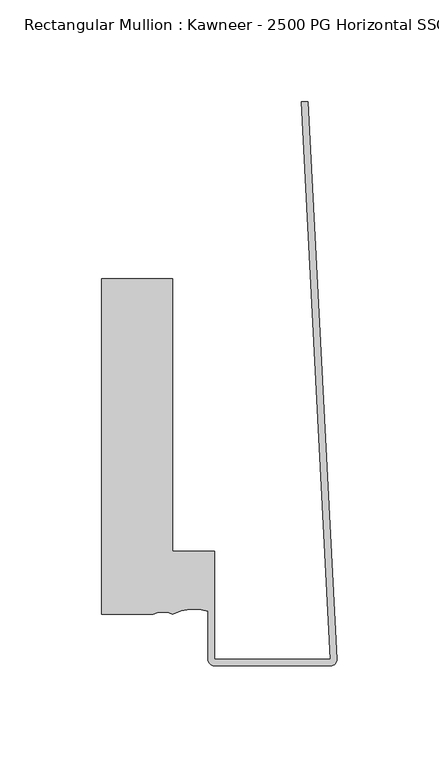
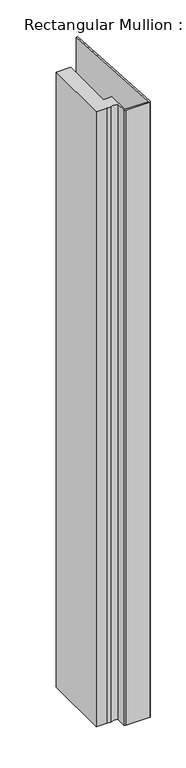
"""IFC4 building model written with IfcOpenShell, lengths in millimetres: member geometry, Rectangular Mullion : Kawneer - 2500 PG Horizontal SSG - Mullion_Head."""

from ifc_helpers import new_model, si_unit, point, frame, frame_2d, origin, place, context, project, spatial, polyline, circle_curve, trimmed, segment, composite_curve, outline, extrude, source, transform, mapped, element, save


def rectangular_mullion_kawneer_2500_pg_horizontal_ssg_mullion_5e039348(model_context):
    return source(origin(), model_context, "Body", "SweptSolid", [
        extrude(outline(composite_curve([segment(polyline([(-80.9625, 95.25), (-80.9625, -38.8620344), (-60.3250001, -38.8620344), (-60.3250001, -92.0750171), (-3.175, -92.0750171), (-17.5525632, 182.2652306), (-14.373206, 182.2652306), (-0.0043512, -91.9088505)]), True, "CONTINUOUS"), segment(trimmed(circle_curve(frame_2d((-3.175, -92.0750171)), 3.175), [point((-0.0043512, -91.9088505))], [point((-3.175, -95.2500171))], False, "CARTESIAN"), True, "CONTINUOUS"), segment(polyline([(-3.175, -95.2500171), (-60.3250001, -95.2500171)]), True, "CONTINUOUS"), segment(trimmed(circle_curve(frame_2d((-60.3250001, -92.0750171)), 3.175), [point((-60.3250001, -95.2500171))], [point((-63.5000001, -92.0750171))], False, "CARTESIAN"), True, "CONTINUOUS"), segment(polyline([(-63.5000001, -92.0750171), (-63.5000001, -68.5064162)]), True, "CONTINUOUS"), segment(trimmed(circle_curve(frame_2d((-70.7092948, -88.9585063)), 21.6855233), [point((-63.5000001, -68.5064162))], [point((-80.9624832, -69.8500252))], True, "CARTESIAN"), True, "CONTINUOUS"), segment(trimmed(circle_curve(frame_2d((-85.725, -79.7243466)), 10.9628366), [point((-80.9624832, -69.8500252))], [point((-90.4875, -69.8500171))], True, "CARTESIAN"), True, "CONTINUOUS"), segment(polyline([(-90.4875, -69.8500171), (-115.9625, -69.8500171), (-115.9625, 95.25), (-80.9625, 95.25)]), True, "CONTINUOUS")], self_intersect=False)), frame((0.0, 0.0, -1546.7550876), z_axis=(0.0, 0.0, 1.0), x_axis=(1.0, 0.0, 0.0)), (0.0, 0.0, 1.0), 1546.7550876),
    ])


if __name__ == "__main__":
    model = new_model("IFC4")
    model_context = context("Model", 3, world=origin())
    ifc_project = project(units=[si_unit("LENGTHUNIT", "METRE", prefix="MILLI")], contexts=[model_context])
    site = spatial("IfcSite", under=ifc_project)
    building = spatial("IfcBuilding", under=site)
    placement = place(None, origin())
    rectangular_mullion_kawneer_2500_pg_horizontal_ssg_mullion_shape = rectangular_mullion_kawneer_2500_pg_horizontal_ssg_mullion_5e039348(model_context)
    element("IfcMember", 1, ObjectType="Rectangular Mullion : Kawneer - 2500 PG Horizontal SSG - Mullion_Head", at=placement, inside=building, context=model_context, shape_type="MappedRepresentation", body=[
        mapped(rectangular_mullion_kawneer_2500_pg_horizontal_ssg_mullion_shape, transform((0.0, 0.0, 0.0), x_axis=(1.0, 0.0, 0.0), y_axis=(0.0, 1.0, 0.0), z_axis=(0.0, 0.0, 1.0))),
    ])
    save(model, "model.ifc")
